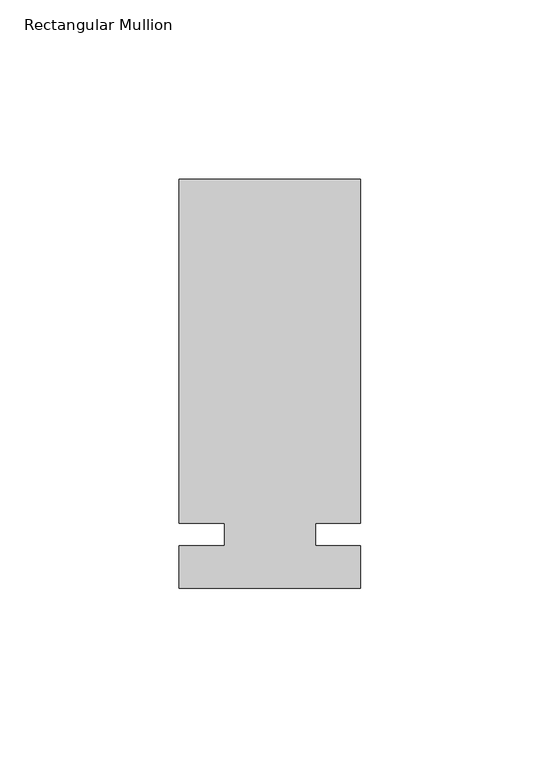
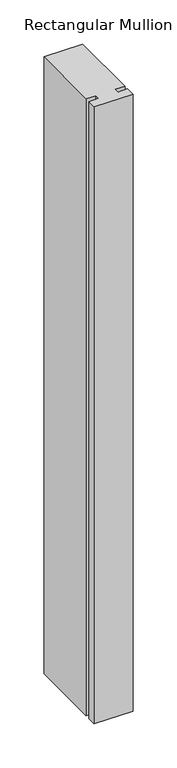
"""IFC4 building model written with IfcOpenShell, lengths in millimetres: member geometry, Rectangular Mullion."""

from ifc_helpers import new_model, si_unit, frame, origin, place, context, project, spatial, polyline, outline, extrude, source, transform, mapped, element, save


def rectangular_mullion_d308cfb8(model_context):
    return source(origin(), model_context, "Body", "SweptSolid", [
        extrude(outline(polyline([(29.7344027, 99.21875), (29.7344027, 3.175), (17.0326322, 3.175), (17.0326322, -3.175), (29.7344027, -3.175), (29.7344027, -15.08125), (-21.0655973, -15.08125), (-21.0655973, -3.175), (-8.3655973, -3.175), (-8.3655973, 3.175), (-21.0655973, 3.175), (-21.0655973, 99.21875), (29.7344027, 99.21875)])), frame((0.0, 0.0, -855.2344027), z_axis=(0.0, 0.0, 1.0), x_axis=(1.0, 0.0, 0.0)), (0.0, 0.0, 1.0), 855.2344027),
    ])


if __name__ == "__main__":
    model = new_model("IFC4")
    model_context = context("Model", 3, world=origin())
    ifc_project = project(units=[si_unit("LENGTHUNIT", "METRE", prefix="MILLI")], contexts=[model_context])
    site = spatial("IfcSite", under=ifc_project)
    building = spatial("IfcBuilding", under=site)
    placement = place(None, origin())
    rectangular_mullion_shape = rectangular_mullion_d308cfb8(model_context)
    element("IfcMember", 1, ObjectType="Rectangular Mullion", at=placement, inside=building, context=model_context, shape_type="MappedRepresentation", body=[
        mapped(rectangular_mullion_shape, transform((0.0, 0.0, 0.0), x_axis=(1.0, 0.0, 0.0), y_axis=(0.0, 1.0, 0.0), z_axis=(0.0, 0.0, 1.0))),
    ])
    save(model, "model.ifc")
